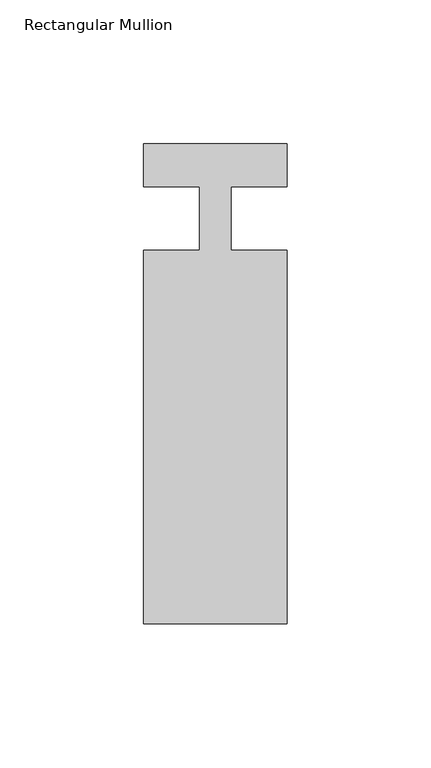
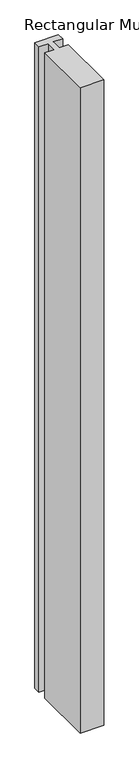
"""IFC4 building model written with IfcOpenShell, lengths in millimetres: member geometry, Rectangular Mullion."""

from ifc_helpers import new_model, si_unit, frame, origin, place, context, project, spatial, polyline, outline, extrude, source, transform, mapped, element, save


def rectangular_mullion_64ff34e8(model_context):
    return source(origin(), model_context, "Body", "SweptSolid", [
        extrude(outline(polyline([(25.0, -141.0), (-25.0, -141.0), (-25.0, -11.0), (-5.4999998, -11.0), (-5.4999998, 11.0), (-25.0, 11.0), (-25.0, 26.0), (25.0, 26.0), (25.0, 11.0), (5.5, 11.0), (5.5, -11.0), (25.0, -11.0), (25.0, -141.0)])), frame((0.0, 0.0, -1450.0), z_axis=(0.0, 0.0, 1.0), x_axis=(1.0, 0.0, 0.0)), (0.0, 0.0, 1.0), 1450.0),
    ])


if __name__ == "__main__":
    model = new_model("IFC4")
    model_context = context("Model", 3, world=origin())
    ifc_project = project(units=[si_unit("LENGTHUNIT", "METRE", prefix="MILLI")], contexts=[model_context])
    site = spatial("IfcSite", under=ifc_project)
    building = spatial("IfcBuilding", under=site)
    placement = place(None, origin())
    rectangular_mullion_shape = rectangular_mullion_64ff34e8(model_context)
    element("IfcMember", 1, ObjectType="Rectangular Mullion", at=placement, inside=building, context=model_context, shape_type="MappedRepresentation", body=[
        mapped(rectangular_mullion_shape, transform((0.0, 0.0, 0.0), x_axis=(1.0, 0.0, 0.0), y_axis=(0.0, 1.0, 0.0), z_axis=(0.0, 0.0, 1.0))),
    ])
    save(model, "model.ifc")
